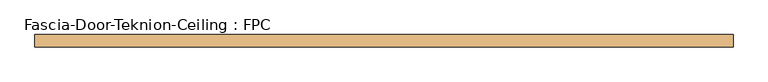
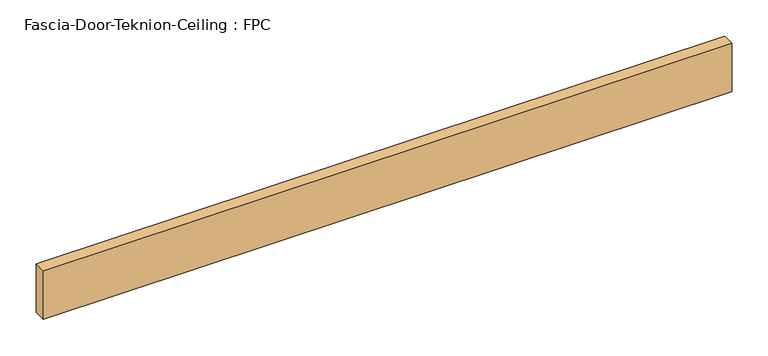
"""IFC4 building model written with IfcOpenShell, lengths in millimetres: door geometry, Fascia-Door-Teknion-Ceiling : FPC."""

from ifc_helpers import new_model, si_unit, origin, origin_with_axes, place, context, project, spatial, polyline, outline, extrude, source, transform, mapped, element, save


def fascia_door_teknion_ceiling_fpc_1744e75c(model_context):
    return source(origin(), model_context, "Body", "SweptSolid", [
        extrude(outline(polyline([(544.8101563, 0.0), (544.8101563, -19.05), (-544.8101562, -19.05), (-544.8101562, 0.0), (544.8101563, 0.0)])), origin_with_axes(), (0.0, 0.0, 1.0), 81.28),
    ])


if __name__ == "__main__":
    model = new_model("IFC4")
    model_context = context("Model", 3, world=origin())
    ifc_project = project(units=[si_unit("LENGTHUNIT", "METRE", prefix="MILLI")], contexts=[model_context])
    site = spatial("IfcSite", under=ifc_project)
    building = spatial("IfcBuilding", under=site)
    placement = place(None, origin())
    fascia_door_teknion_ceiling_fpc_shape = fascia_door_teknion_ceiling_fpc_1744e75c(model_context)
    element("IfcDoor", 1, ObjectType="Fascia-Door-Teknion-Ceiling : FPC", at=placement, inside=building, context=model_context, shape_type="MappedRepresentation", body=[
        mapped(fascia_door_teknion_ceiling_fpc_shape, transform((0.0, 0.0, 0.0), x_axis=(1.0, 0.0, 0.0), y_axis=(0.0, 1.0, 0.0), z_axis=(0.0, 0.0, 1.0))),
    ])
    save(model, "model.ifc")
